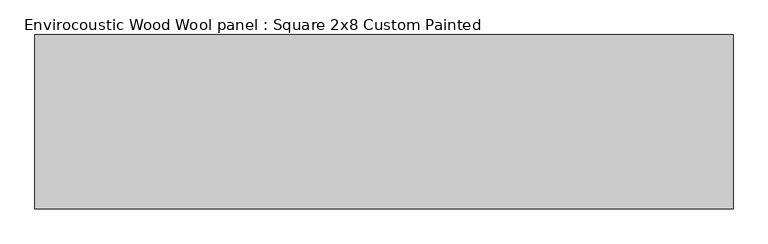
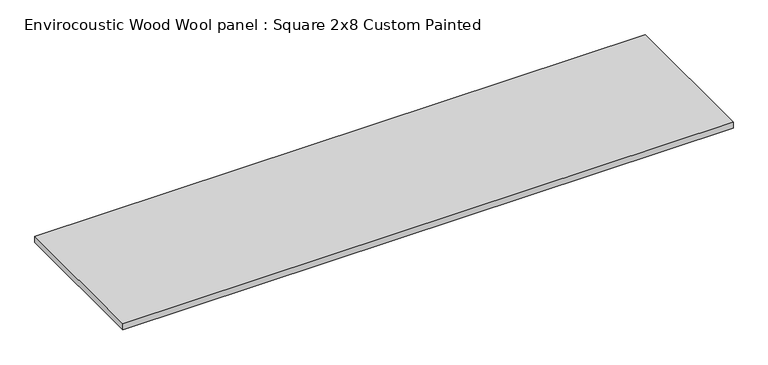
"""IFC4 building model written with IfcOpenShell, lengths in millimetres: proxy geometry, Envirocoustic Wood Wool panel : Square 2x8 Custom Painted."""

from ifc_helpers import new_model, si_unit, origin, origin_with_axes, place, context, project, spatial, polyline, outline, extrude, source, transform, mapped, element, save


def envirocoustic_wood_wool_panel_square_2x8_custom_painted_6d754d6f(model_context):
    return source(origin(), model_context, "Body", "SweptSolid", [
        extrude(outline(polyline([(-1219.2, 304.8), (1219.2, 304.8), (1219.2, -304.8), (-1219.2, -304.8), (-1219.2, 304.8)])), origin_with_axes(), (0.0, 0.0, 1.0), 25.4),
    ])


if __name__ == "__main__":
    model = new_model("IFC4")
    model_context = context("Model", 3, world=origin())
    ifc_project = project(units=[si_unit("LENGTHUNIT", "METRE", prefix="MILLI")], contexts=[model_context])
    site = spatial("IfcSite", under=ifc_project)
    building = spatial("IfcBuilding", under=site)
    placement = place(None, origin())
    envirocoustic_wood_wool_panel_square_2x8_custom_painted_shape = envirocoustic_wood_wool_panel_square_2x8_custom_painted_6d754d6f(model_context)
    element("IfcBuildingElementProxy", 1, Name="Envirocoustic Wood Wool panel : Square 2x8 Custom Painted", ObjectType="Envirocoustic Wood Wool panel : Square 2x8 Custom Painted", at=placement, inside=building, context=model_context, shape_type="MappedRepresentation", body=[
        mapped(envirocoustic_wood_wool_panel_square_2x8_custom_painted_shape, transform((0.0, 0.0, 0.0), x_axis=(1.0, 0.0, 0.0), y_axis=(0.0, 1.0, 0.0), z_axis=(0.0, 0.0, 1.0))),
    ])
    save(model, "model.ifc")
